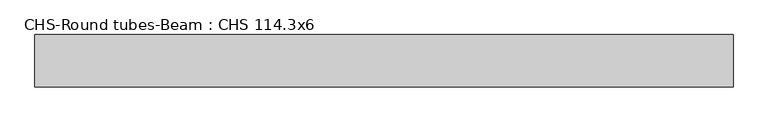
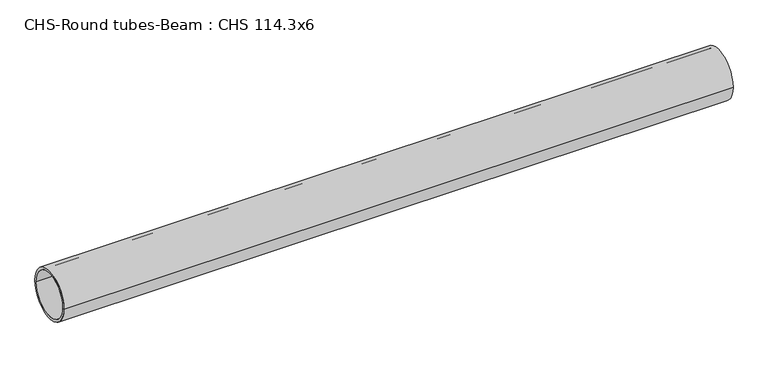
"""IFC4 building model written with IfcOpenShell, lengths in millimetres: beam geometry, CHS-Round tubes-Beam : CHS 114.3x6."""

from ifc_helpers import new_model, si_unit, point, frame, origin, origin_2d, place, context, project, spatial, circle_curve, trimmed, segment, composite_curve, outline, extrude, source, transform, mapped, element, save


def chs_round_tubes_beam_chs_114_3x6_31763b0c(model_context):
    return source(origin(), model_context, "Body", "SweptSolid", [
        extrude(outline(composite_curve([segment(trimmed(circle_curve(origin_2d(), 57.15), [point((57.15, 0.0))], [point((-57.15, 0.0))], False, "CARTESIAN"), True, "CONTINUOUS"), segment(trimmed(circle_curve(origin_2d(), 57.15), [point((-57.15, 0.0))], [point((57.15, 0.0))], False, "CARTESIAN"), True, "CONTINUOUS")], self_intersect=False), holes=[composite_curve([segment(trimmed(circle_curve(origin_2d(), 51.15), [point((51.15, 0.0))], [point((-51.15, 0.0))], True, "CARTESIAN"), True, "CONTINUOUS"), segment(trimmed(circle_curve(origin_2d(), 51.15), [point((-51.15, 0.0))], [point((51.15, 0.0))], True, "CARTESIAN"), True, "CONTINUOUS")], self_intersect=False)]), frame((-775.8474729, 0.0, 0.0), z_axis=(1.0, 0.0, 0.0), x_axis=(0.0, 1.0, 0.0)), (0.0, 0.0, 1.0), 1525.3696131),
    ])


if __name__ == "__main__":
    model = new_model("IFC4")
    model_context = context("Model", 3, world=origin())
    ifc_project = project(units=[si_unit("LENGTHUNIT", "METRE", prefix="MILLI")], contexts=[model_context])
    site = spatial("IfcSite", under=ifc_project)
    building = spatial("IfcBuilding", under=site)
    placement = place(None, origin())
    chs_round_tubes_beam_chs_114_3x6_shape = chs_round_tubes_beam_chs_114_3x6_31763b0c(model_context)
    element("IfcBeam", 1, ObjectType="CHS-Round tubes-Beam : CHS 114.3x6", at=placement, inside=building, context=model_context, shape_type="MappedRepresentation", body=[
        mapped(chs_round_tubes_beam_chs_114_3x6_shape, transform((0.0, 0.0, 0.0), x_axis=(1.0, 0.0, 0.0), y_axis=(0.0, 1.0, 0.0), z_axis=(0.0, 0.0, 1.0))),
    ])
    save(model, "model.ifc")
